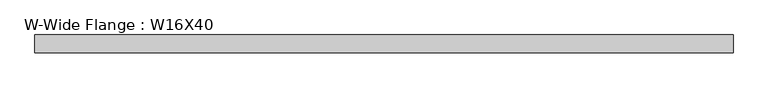
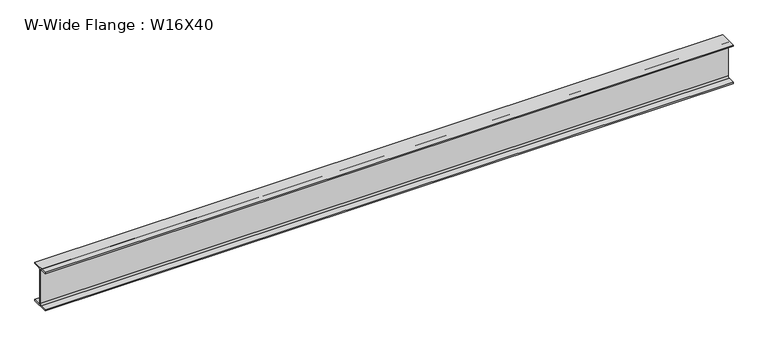
"""IFC4 building model written with IfcOpenShell, lengths in millimetres: beam geometry, W-Wide Flange : W16X40."""

import ifcopenshell
import ifcopenshell.guid

model = None  # the IFC model being written
_history = None  # IfcOwnerHistory: only IFC2X3 demands one
_inside = {}  # id of a spatial element -> (the spatial element, [elements in it])
_under = {}  # id of a project, library or spatial element -> (it, [spatial elements below it])
_declared = {}  # id of a project -> (the project, [libraries it declares])
_typed = {}  # id of a type object -> (the type object, [elements of that type])
_made_of = {}  # id of a material, layer set ... -> (it, [elements and type objects made of it])


def new_model(schema):
    """Start an empty IFC model of exactly this schema.

    Asked for "IFC4X3", IfcOpenShell would pick the latest addendum, in which some entities
    have other attributes; the version numbers below select the first issue.
    IFC2X3 requires an IfcOwnerHistory on every rooted entity: one is made here for all.
    """
    global model, _history
    if schema == "IFC4X3":
        model = ifcopenshell.file(schema_version=(4, 3, 0, 0))
    else:
        model = ifcopenshell.file(schema=schema)
    _inside.clear()
    _under.clear()
    _declared.clear()
    _typed.clear()
    _made_of.clear()
    _history = None
    if model.schema == "IFC2X3":
        org = make("IfcOrganization", Name="unknown")
        user = make(
            "IfcPersonAndOrganization",
            ThePerson=make("IfcPerson", FamilyName="unknown"),
            TheOrganization=org,
        )
        app = make(
            "IfcApplication",
            ApplicationDeveloper=org,
            Version="unknown",
            ApplicationFullName="unknown",
            ApplicationIdentifier="unknown",
        )
        _history = make(
            "IfcOwnerHistory",
            OwningUser=user,
            OwningApplication=app,
            ChangeAction="ADDED",
            CreationDate=0,
        )
    return model


def make(cls, **values):
    """One entity of the class cls with the attributes given. An attribute that is None is left unset."""
    return model.create_entity(
        cls, **{name: value for name, value in values.items() if value is not None}
    )


def rooted(cls, **values):
    """An entity with a GlobalId (a new one), such as an element, a storey or a relation."""
    return make(cls, GlobalId=ifcopenshell.guid.new(), OwnerHistory=_history, **values)


def si_unit(unit_type, name, prefix=None):
    """IfcSIUnit, for example si_unit("LENGTHUNIT", "METRE", prefix="MILLI")."""
    return make("IfcSIUnit", UnitType=unit_type, Prefix=prefix, Name=name)


def assignment(units):
    """IfcUnitAssignment: the units of a project."""
    return None if units is None else make("IfcUnitAssignment", Units=units)


def point(xyz):
    """IfcCartesianPoint."""
    return None if xyz is None else make("IfcCartesianPoint", Coordinates=xyz)


def direction(xyz):
    """IfcDirection."""
    return None if xyz is None else make("IfcDirection", DirectionRatios=xyz)


def frame(location, z_axis=None, x_axis=None):
    """IfcAxis2Placement3D, a coordinate frame: its origin and axes. An axis left out is left unset."""
    return make(
        "IfcAxis2Placement3D",
        Location=point(location),
        Axis=direction(z_axis),
        RefDirection=direction(x_axis),
    )


def frame_2d(location, x_axis=None):
    """IfcAxis2Placement2D, a coordinate frame in the plane: its origin and x axis."""
    return make(
        "IfcAxis2Placement2D", Location=point(location), RefDirection=direction(x_axis)
    )


def origin():
    """The frame at (0, 0, 0) with its axes left unset."""
    return frame((0.0, 0.0, 0.0))


def place(relative_to, where):
    """IfcLocalPlacement: puts the frame where relative to a parent placement (None: the world)."""
    return make(
        "IfcLocalPlacement", PlacementRelTo=relative_to, RelativePlacement=where
    )


def context(
    kind, dimensions, precision=None, world=None, true_north=None, identifier=None
):
    """IfcGeometricRepresentationContext, for example the 3D "Model" context."""
    return make(
        "IfcGeometricRepresentationContext",
        ContextIdentifier=identifier,
        ContextType=kind,
        CoordinateSpaceDimension=dimensions,
        Precision=precision,
        WorldCoordinateSystem=world,
        TrueNorth=true_north,
    )


def project(units=None, contexts=None):
    """IfcProject with its units and contexts."""
    return rooted(
        "IfcProject",
        Name="project",
        RepresentationContexts=contexts,
        UnitsInContext=assignment(units),
    )


def spatial(cls, under=None, at=None, **own):
    """A site, building, storey or space (cls), placed at a placement, below another one or the project."""
    s = rooted(cls, ObjectPlacement=at, **own)
    if under is not None:
        _under.setdefault(under.id(), (under, []))[1].append(s)
    return s


def polyline(points):
    """IfcPolyline through the points."""
    return make("IfcPolyline", Points=[point(p) for p in points])


def circle_curve(where, radius):
    """IfcCircle in the frame where."""
    return make("IfcCircle", Position=where, Radius=radius)


def trimmed(basis, trim1, trim2, sense, master):
    """IfcTrimmedCurve: the piece of a basis curve between two trims."""
    return make(
        "IfcTrimmedCurve",
        BasisCurve=basis,
        Trim1=trim1,
        Trim2=trim2,
        SenseAgreement=sense,
        MasterRepresentation=master,
    )


def segment(curve, same_sense, transition):
    """IfcCompositeCurveSegment."""
    return make(
        "IfcCompositeCurveSegment",
        Transition=transition,
        SameSense=same_sense,
        ParentCurve=curve,
    )


def composite_curve(segments, self_intersect=None):
    """IfcCompositeCurve: segments joined end to end."""
    return make("IfcCompositeCurve", Segments=segments, SelfIntersect=self_intersect)


def outline(outer, holes=None, kind="AREA"):
    """IfcArbitraryClosedProfileDef: a profile drawn as a closed curve; with holes, ...WithVoids."""
    if holes is None:
        return make("IfcArbitraryClosedProfileDef", ProfileType=kind, OuterCurve=outer)
    return make(
        "IfcArbitraryProfileDefWithVoids",
        ProfileType=kind,
        OuterCurve=outer,
        InnerCurves=holes,
    )


def extrude(swept, where, along, depth):
    """IfcExtrudedAreaSolid: the profile swept, set in the frame where, extruded along a direction by depth."""
    return make(
        "IfcExtrudedAreaSolid",
        SweptArea=swept,
        Position=where,
        ExtrudedDirection=direction(along),
        Depth=depth,
    )


def shape(context_of_items, identifier, shape_type, items):
    """IfcShapeRepresentation: the items that make up one representation, for example the "Body"."""
    return make(
        "IfcShapeRepresentation",
        ContextOfItems=context_of_items,
        RepresentationIdentifier=identifier,
        RepresentationType=shape_type,
        Items=items,
    )


def source(mapping_origin, context_of_items, identifier, shape_type, items):
    """IfcRepresentationMap: a shape defined once, which mapped items show again and again."""
    return make(
        "IfcRepresentationMap",
        MappingOrigin=mapping_origin,
        MappedRepresentation=shape(context_of_items, identifier, shape_type, items),
    )


def transform(
    local_origin,
    x_axis=None,
    y_axis=None,
    z_axis=None,
    scale=None,
    scale2=None,
    scale3=None,
    uniform=True,
):
    """IfcCartesianTransformationOperator3D, or its non-uniform kind. x_axis, y_axis, z_axis: its Axis1, 2, 3."""
    if uniform:
        return make(
            "IfcCartesianTransformationOperator3D",
            Axis1=direction(x_axis),
            Axis2=direction(y_axis),
            LocalOrigin=point(local_origin),
            Scale=scale,
            Axis3=direction(z_axis),
        )
    return make(
        "IfcCartesianTransformationOperator3DnonUniform",
        Axis1=direction(x_axis),
        Axis2=direction(y_axis),
        LocalOrigin=point(local_origin),
        Scale=scale,
        Axis3=direction(z_axis),
        Scale2=scale2,
        Scale3=scale3,
    )


def mapped(mapping_source, mapping_target):
    """IfcMappedItem: shows the shape of a source again, moved by a transform."""
    return make(
        "IfcMappedItem", MappingSource=mapping_source, MappingTarget=mapping_target
    )


def made_of(thing, what):
    """Note that an element or type object is made of a material, layer set ...; save() writes the relation."""
    if what is not None:
        _made_of.setdefault(what.id(), (what, []))[1].append(thing)
    return thing


def element(
    cls,
    number,
    at=None,
    inside=None,
    cuts=None,
    type_object=None,
    material=None,
    context=None,
    identifier="Body",
    shape_type=None,
    held_by="IfcProductDefinitionShape",
    body=None,
    shapes=None,
    **own,
):
    """One element of the class cls, such as IfcWall. Its Tag is "e" and its number.

    at: its placement. inside: the storey or other place that contains it. cuts: it is an
    opening in that element (IfcRelVoidsElement). A single representation is given by context,
    identifier, shape_type and body (its items); several are given by shapes. held_by: the class
    of the entity that holds the representations. save() writes the other relations.
    """
    e = rooted(cls, Tag="e%d" % number, ObjectPlacement=at, **own)
    if body is not None:
        shapes = [shape(context, identifier, shape_type, body)]
    if shapes is not None:
        e.Representation = make(held_by, Representations=shapes)
    if inside is not None:
        _inside.setdefault(inside.id(), (inside, []))[1].append(e)
    if cuts is not None:
        rooted(
            "IfcRelVoidsElement", RelatingBuildingElement=cuts, RelatedOpeningElement=e
        )
    if type_object is not None:
        _typed.setdefault(type_object.id(), (type_object, []))[1].append(e)
    return made_of(e, material)


def aggregate(whole, parts):
    """IfcRelAggregates: a whole, such as a stair, and the parts it consists of."""
    return rooted("IfcRelAggregates", RelatingObject=whole, RelatedObjects=parts)


def save(model, path):
    """Write the relations noted so far, then the file.

    IfcRelAggregates (storeys below a building ...), IfcRelContainedInSpatialStructure (elements
    in a storey), IfcRelDefinesByType, IfcRelAssociatesMaterial and IfcRelDeclares: one each for
    every whole, place, type object, material and project.
    """
    for whole, parts in _under.values():
        aggregate(whole, parts)
    for where, things in _inside.values():
        rooted(
            "IfcRelContainedInSpatialStructure",
            RelatedElements=things,
            RelatingStructure=where,
        )
    for kind, things in _typed.values():
        rooted("IfcRelDefinesByType", RelatedObjects=things, RelatingType=kind)
    for what, things in _made_of.values():
        rooted("IfcRelAssociatesMaterial", RelatedObjects=things, RelatingMaterial=what)
    for by, libraries in _declared.values():
        rooted("IfcRelDeclares", RelatingContext=by, RelatedDefinitions=libraries)
    model.write(path)


def w_wide_flange_w16x40_21ea6487(model_context):
    return source(origin(), model_context, "Body", "SweptSolid", [
        extrude(outline(composite_curve([segment(polyline([(88.9, -190.4), (88.9, -203.2), (-88.9, -203.2), (-88.9, -190.4), (-21.25, -190.4)]), True, "CONTINUOUS"), segment(trimmed(circle_curve(frame_2d((-21.25, -173.0)), 17.4), [point((-21.25, -190.4))], [point((-3.85, -173.0))], True, "CARTESIAN"), True, "CONTINUOUS"), segment(polyline([(-3.85, -173.0), (-3.85, 173.0)]), True, "CONTINUOUS"), segment(trimmed(circle_curve(frame_2d((-21.25, 173.0)), 17.4), [point((-3.85, 173.0))], [point((-21.25, 190.4))], True, "CARTESIAN"), True, "CONTINUOUS"), segment(polyline([(-21.25, 190.4), (-88.9, 190.4), (-88.9, 203.2), (88.9, 203.2), (88.9, 190.4), (21.25, 190.4)]), True, "CONTINUOUS"), segment(trimmed(circle_curve(frame_2d((21.25, 173.0)), 17.4), [point((21.25, 190.4))], [point((3.85, 173.0))], True, "CARTESIAN"), True, "CONTINUOUS"), segment(polyline([(3.85, 173.0), (3.85, -173.0)]), True, "CONTINUOUS"), segment(trimmed(circle_curve(frame_2d((21.25, -173.0)), 17.4), [point((3.85, -173.0))], [point((21.25, -190.4))], True, "CARTESIAN"), True, "CONTINUOUS"), segment(polyline([(21.25, -190.4), (88.9, -190.4)]), True, "CONTINUOUS")], self_intersect=False)), frame((-887.4229735, 0.0, 0.0), z_axis=(1.0, 0.0, 0.0), x_axis=(0.0, 1.0, 0.0)), (0.0, 0.0, 1.0), 6877.4466414),
    ])


if __name__ == "__main__":
    model = new_model("IFC4")
    model_context = context("Model", 3, world=origin())
    ifc_project = project(units=[si_unit("LENGTHUNIT", "METRE", prefix="MILLI")], contexts=[model_context])
    site = spatial("IfcSite", under=ifc_project)
    building = spatial("IfcBuilding", under=site)
    placement = place(None, origin())
    w_wide_flange_w16x40_shape = w_wide_flange_w16x40_21ea6487(model_context)
    element("IfcBeam", 1, ObjectType="W-Wide Flange : W16X40", at=placement, inside=building, context=model_context, shape_type="MappedRepresentation", body=[
        mapped(w_wide_flange_w16x40_shape, transform((0.0, 0.0, 0.0), x_axis=(1.0, 0.0, 0.0), y_axis=(0.0, 1.0, 0.0), z_axis=(0.0, 0.0, 1.0))),
    ])
    save(model, "model.ifc")
